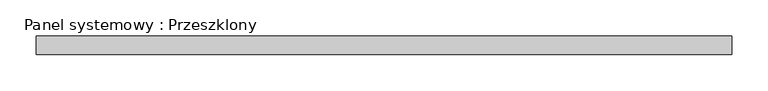
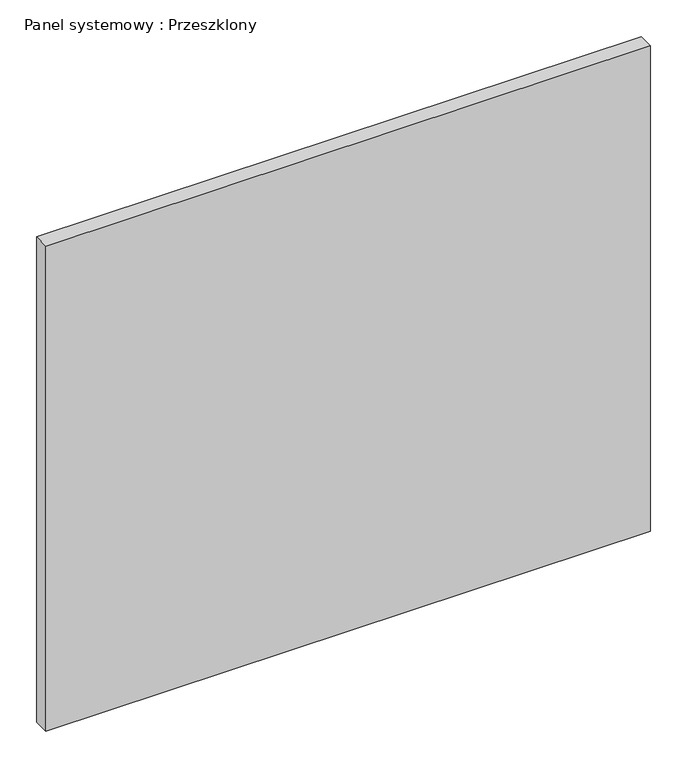
"""IFC4 building model written with IfcOpenShell, lengths in millimetres: plate geometry, Panel systemowy : Przeszklony."""

from ifc_helpers import new_model, si_unit, origin, origin_with_axes, place, context, project, spatial, polyline, outline, extrude, source, transform, mapped, element, save


def panel_systemowy_przeszklony_4dfe826c(model_context):
    return source(origin(), model_context, "Body", "SweptSolid", [
        extrude(outline(polyline([(477.5, -12.5), (-477.5, -12.5), (-477.5, 12.5), (477.5, 12.5), (477.5, -12.5)])), origin_with_axes(), (0.0, 0.0, 1.0), 810.0),
    ])


if __name__ == "__main__":
    model = new_model("IFC4")
    model_context = context("Model", 3, world=origin())
    ifc_project = project(units=[si_unit("LENGTHUNIT", "METRE", prefix="MILLI")], contexts=[model_context])
    site = spatial("IfcSite", under=ifc_project)
    building = spatial("IfcBuilding", under=site)
    placement = place(None, origin())
    panel_systemowy_przeszklony_shape = panel_systemowy_przeszklony_4dfe826c(model_context)
    element("IfcPlate", 1, ObjectType="Panel systemowy : Przeszklony", at=placement, inside=building, context=model_context, shape_type="MappedRepresentation", body=[
        mapped(panel_systemowy_przeszklony_shape, transform((0.0, 0.0, 0.0), x_axis=(1.0, 0.0, 0.0), y_axis=(0.0, 1.0, 0.0), z_axis=(0.0, 0.0, 1.0))),
    ])
    save(model, "model.ifc")
